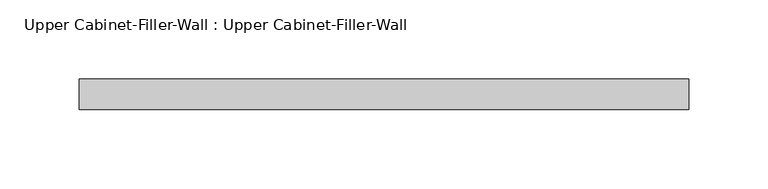
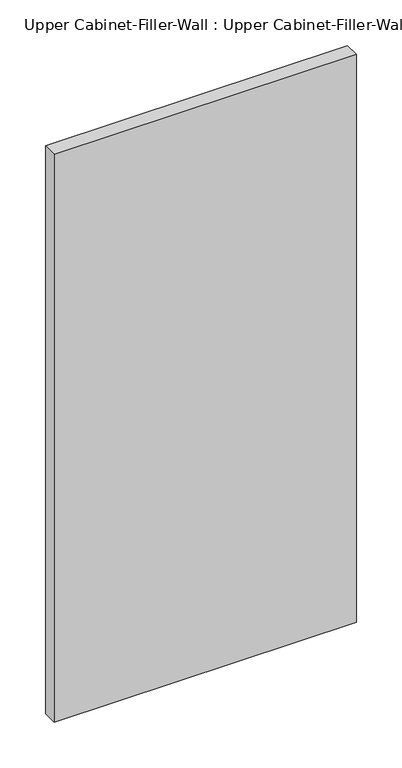
"""IFC4 building model written with IfcOpenShell, lengths in millimetres: furniture geometry, Upper Cabinet-Filler-Wall : Upper Cabinet-Filler-Wall."""

import ifcopenshell
import ifcopenshell.guid

model = None  # the IFC model being written
_history = None  # IfcOwnerHistory: only IFC2X3 demands one
_inside = {}  # id of a spatial element -> (the spatial element, [elements in it])
_under = {}  # id of a project, library or spatial element -> (it, [spatial elements below it])
_declared = {}  # id of a project -> (the project, [libraries it declares])
_typed = {}  # id of a type object -> (the type object, [elements of that type])
_made_of = {}  # id of a material, layer set ... -> (it, [elements and type objects made of it])


def new_model(schema):
    """Start an empty IFC model of exactly this schema.

    Asked for "IFC4X3", IfcOpenShell would pick the latest addendum, in which some entities
    have other attributes; the version numbers below select the first issue.
    IFC2X3 requires an IfcOwnerHistory on every rooted entity: one is made here for all.
    """
    global model, _history
    if schema == "IFC4X3":
        model = ifcopenshell.file(schema_version=(4, 3, 0, 0))
    else:
        model = ifcopenshell.file(schema=schema)
    _inside.clear()
    _under.clear()
    _declared.clear()
    _typed.clear()
    _made_of.clear()
    _history = None
    if model.schema == "IFC2X3":
        org = make("IfcOrganization", Name="unknown")
        user = make(
            "IfcPersonAndOrganization",
            ThePerson=make("IfcPerson", FamilyName="unknown"),
            TheOrganization=org,
        )
        app = make(
            "IfcApplication",
            ApplicationDeveloper=org,
            Version="unknown",
            ApplicationFullName="unknown",
            ApplicationIdentifier="unknown",
        )
        _history = make(
            "IfcOwnerHistory",
            OwningUser=user,
            OwningApplication=app,
            ChangeAction="ADDED",
            CreationDate=0,
        )
    return model


def make(cls, **values):
    """One entity of the class cls with the attributes given. An attribute that is None is left unset."""
    return model.create_entity(
        cls, **{name: value for name, value in values.items() if value is not None}
    )


def rooted(cls, **values):
    """An entity with a GlobalId (a new one), such as an element, a storey or a relation."""
    return make(cls, GlobalId=ifcopenshell.guid.new(), OwnerHistory=_history, **values)


def si_unit(unit_type, name, prefix=None):
    """IfcSIUnit, for example si_unit("LENGTHUNIT", "METRE", prefix="MILLI")."""
    return make("IfcSIUnit", UnitType=unit_type, Prefix=prefix, Name=name)


def assignment(units):
    """IfcUnitAssignment: the units of a project."""
    return None if units is None else make("IfcUnitAssignment", Units=units)


def point(xyz):
    """IfcCartesianPoint."""
    return None if xyz is None else make("IfcCartesianPoint", Coordinates=xyz)


def direction(xyz):
    """IfcDirection."""
    return None if xyz is None else make("IfcDirection", DirectionRatios=xyz)


def frame(location, z_axis=None, x_axis=None):
    """IfcAxis2Placement3D, a coordinate frame: its origin and axes. An axis left out is left unset."""
    return make(
        "IfcAxis2Placement3D",
        Location=point(location),
        Axis=direction(z_axis),
        RefDirection=direction(x_axis),
    )


def origin():
    """The frame at (0, 0, 0) with its axes left unset."""
    return frame((0.0, 0.0, 0.0))


def place(relative_to, where):
    """IfcLocalPlacement: puts the frame where relative to a parent placement (None: the world)."""
    return make(
        "IfcLocalPlacement", PlacementRelTo=relative_to, RelativePlacement=where
    )


def context(
    kind, dimensions, precision=None, world=None, true_north=None, identifier=None
):
    """IfcGeometricRepresentationContext, for example the 3D "Model" context."""
    return make(
        "IfcGeometricRepresentationContext",
        ContextIdentifier=identifier,
        ContextType=kind,
        CoordinateSpaceDimension=dimensions,
        Precision=precision,
        WorldCoordinateSystem=world,
        TrueNorth=true_north,
    )


def project(units=None, contexts=None):
    """IfcProject with its units and contexts."""
    return rooted(
        "IfcProject",
        Name="project",
        RepresentationContexts=contexts,
        UnitsInContext=assignment(units),
    )


def spatial(cls, under=None, at=None, **own):
    """A site, building, storey or space (cls), placed at a placement, below another one or the project."""
    s = rooted(cls, ObjectPlacement=at, **own)
    if under is not None:
        _under.setdefault(under.id(), (under, []))[1].append(s)
    return s


def polyline(points):
    """IfcPolyline through the points."""
    return make("IfcPolyline", Points=[point(p) for p in points])


def outline(outer, holes=None, kind="AREA"):
    """IfcArbitraryClosedProfileDef: a profile drawn as a closed curve; with holes, ...WithVoids."""
    if holes is None:
        return make("IfcArbitraryClosedProfileDef", ProfileType=kind, OuterCurve=outer)
    return make(
        "IfcArbitraryProfileDefWithVoids",
        ProfileType=kind,
        OuterCurve=outer,
        InnerCurves=holes,
    )


def extrude(swept, where, along, depth):
    """IfcExtrudedAreaSolid: the profile swept, set in the frame where, extruded along a direction by depth."""
    return make(
        "IfcExtrudedAreaSolid",
        SweptArea=swept,
        Position=where,
        ExtrudedDirection=direction(along),
        Depth=depth,
    )


def shape(context_of_items, identifier, shape_type, items):
    """IfcShapeRepresentation: the items that make up one representation, for example the "Body"."""
    return make(
        "IfcShapeRepresentation",
        ContextOfItems=context_of_items,
        RepresentationIdentifier=identifier,
        RepresentationType=shape_type,
        Items=items,
    )


def source(mapping_origin, context_of_items, identifier, shape_type, items):
    """IfcRepresentationMap: a shape defined once, which mapped items show again and again."""
    return make(
        "IfcRepresentationMap",
        MappingOrigin=mapping_origin,
        MappedRepresentation=shape(context_of_items, identifier, shape_type, items),
    )


def transform(
    local_origin,
    x_axis=None,
    y_axis=None,
    z_axis=None,
    scale=None,
    scale2=None,
    scale3=None,
    uniform=True,
):
    """IfcCartesianTransformationOperator3D, or its non-uniform kind. x_axis, y_axis, z_axis: its Axis1, 2, 3."""
    if uniform:
        return make(
            "IfcCartesianTransformationOperator3D",
            Axis1=direction(x_axis),
            Axis2=direction(y_axis),
            LocalOrigin=point(local_origin),
            Scale=scale,
            Axis3=direction(z_axis),
        )
    return make(
        "IfcCartesianTransformationOperator3DnonUniform",
        Axis1=direction(x_axis),
        Axis2=direction(y_axis),
        LocalOrigin=point(local_origin),
        Scale=scale,
        Axis3=direction(z_axis),
        Scale2=scale2,
        Scale3=scale3,
    )


def mapped(mapping_source, mapping_target):
    """IfcMappedItem: shows the shape of a source again, moved by a transform."""
    return make(
        "IfcMappedItem", MappingSource=mapping_source, MappingTarget=mapping_target
    )


def made_of(thing, what):
    """Note that an element or type object is made of a material, layer set ...; save() writes the relation."""
    if what is not None:
        _made_of.setdefault(what.id(), (what, []))[1].append(thing)
    return thing


def element(
    cls,
    number,
    at=None,
    inside=None,
    cuts=None,
    type_object=None,
    material=None,
    context=None,
    identifier="Body",
    shape_type=None,
    held_by="IfcProductDefinitionShape",
    body=None,
    shapes=None,
    **own,
):
    """One element of the class cls, such as IfcWall. Its Tag is "e" and its number.

    at: its placement. inside: the storey or other place that contains it. cuts: it is an
    opening in that element (IfcRelVoidsElement). A single representation is given by context,
    identifier, shape_type and body (its items); several are given by shapes. held_by: the class
    of the entity that holds the representations. save() writes the other relations.
    """
    e = rooted(cls, Tag="e%d" % number, ObjectPlacement=at, **own)
    if body is not None:
        shapes = [shape(context, identifier, shape_type, body)]
    if shapes is not None:
        e.Representation = make(held_by, Representations=shapes)
    if inside is not None:
        _inside.setdefault(inside.id(), (inside, []))[1].append(e)
    if cuts is not None:
        rooted(
            "IfcRelVoidsElement", RelatingBuildingElement=cuts, RelatedOpeningElement=e
        )
    if type_object is not None:
        _typed.setdefault(type_object.id(), (type_object, []))[1].append(e)
    return made_of(e, material)


def aggregate(whole, parts):
    """IfcRelAggregates: a whole, such as a stair, and the parts it consists of."""
    return rooted("IfcRelAggregates", RelatingObject=whole, RelatedObjects=parts)


def save(model, path):
    """Write the relations noted so far, then the file.

    IfcRelAggregates (storeys below a building ...), IfcRelContainedInSpatialStructure (elements
    in a storey), IfcRelDefinesByType, IfcRelAssociatesMaterial and IfcRelDeclares: one each for
    every whole, place, type object, material and project.
    """
    for whole, parts in _under.values():
        aggregate(whole, parts)
    for where, things in _inside.values():
        rooted(
            "IfcRelContainedInSpatialStructure",
            RelatedElements=things,
            RelatingStructure=where,
        )
    for kind, things in _typed.values():
        rooted("IfcRelDefinesByType", RelatedObjects=things, RelatingType=kind)
    for what, things in _made_of.values():
        rooted("IfcRelAssociatesMaterial", RelatedObjects=things, RelatingMaterial=what)
    for by, libraries in _declared.values():
        rooted("IfcRelDeclares", RelatingContext=by, RelatedDefinitions=libraries)
    model.write(path)


def upper_cabinet_filler_wall_upper_cabinet_filler_wall_27471da5(model_context):
    return source(origin(), model_context, "Body", "SweptSolid", [
        extrude(outline(polyline([(-162.0470658, -358.125), (221.5893914, -358.125), (221.5893914, -377.175), (-162.0470658, -377.175), (-162.0470658, -358.125)])), frame((0.0, 0.0, 1371.6), z_axis=(0.0, 0.0, 1.0), x_axis=(1.0, 0.0, 0.0)), (0.0, 0.0, 1.0), 762.0),
    ])


if __name__ == "__main__":
    model = new_model("IFC4")
    model_context = context("Model", 3, world=origin())
    ifc_project = project(units=[si_unit("LENGTHUNIT", "METRE", prefix="MILLI")], contexts=[model_context])
    site = spatial("IfcSite", under=ifc_project)
    building = spatial("IfcBuilding", under=site)
    placement = place(None, origin())
    upper_cabinet_filler_wall_upper_cabinet_filler_wall_shape = upper_cabinet_filler_wall_upper_cabinet_filler_wall_27471da5(model_context)
    element("IfcFurniture", 1, ObjectType="Upper Cabinet-Filler-Wall : Upper Cabinet-Filler-Wall", at=placement, inside=building, context=model_context, shape_type="MappedRepresentation", body=[
        mapped(upper_cabinet_filler_wall_upper_cabinet_filler_wall_shape, transform((0.0, 0.0, 0.0), x_axis=(1.0, 0.0, 0.0), y_axis=(0.0, 1.0, 0.0), z_axis=(0.0, 0.0, 1.0))),
    ])
    save(model, "model.ifc")
